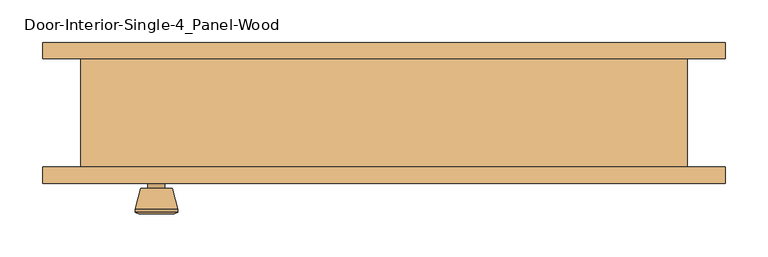
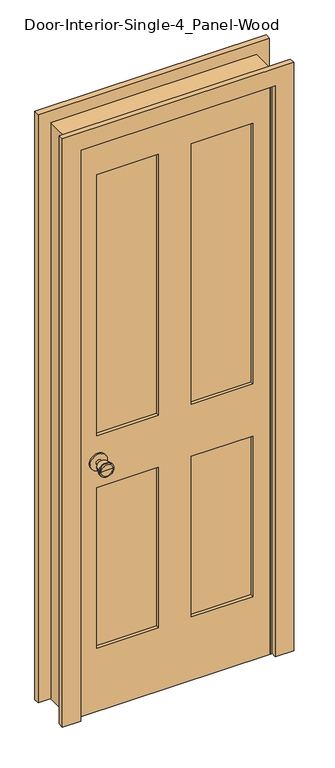
"""IFC4 building model written with IfcOpenShell, lengths in millimetres: door geometry, Door-Interior-Single-4_Panel-Wood."""

from ifc_helpers import new_model, si_unit, point, frame, frame_2d, origin, place, context, project, spatial, polyline, circle_curve, trimmed, segment, composite_curve, outline, extrude, faceted_brep, source, transform, mapped, element, save
from ifc_brep_helpers import plane_surface, cylinder_surface, revolved_surface, advanced_brep


def door_interior_single_4_panel_wood_b6754468(model_context):
    return source(origin(), model_context, "Body", "SolidModel", [
        advanced_brep(
        [(-266.7, -19.4, 914.4), (-276.7, -19.4, 914.4), (-256.7, -19.4, 914.4), (-246.2241324, 29.6, 914.4), (-287.1758676, 29.6, 914.4), (-266.7, 29.6, 914.4), (-241.7, 27.7721319, 914.4), (-291.7, 27.7721319, 914.4), (-241.7, 24.3084537, 914.4), (-291.7, 24.3084537, 914.4), (-248.063764, -0.4, 914.4), (-285.336236, -0.4, 914.4), (-256.7, -0.4, 914.4), (-276.7, -0.4, 914.4)],
        [
            (0, 1),
            (1, 2, circle_curve(frame((-266.7, -19.4, 914.4), z_axis=(0.0, -1.0, 0.0), x_axis=(-1.0, 0.0, 0.0)), 10.0)),
            (2, 0),
            (2, 1, circle_curve(frame((-266.7, -19.4, 914.4), z_axis=(0.0, -1.0, 0.0), x_axis=(-1.0, 0.0, 0.0)), 10.0)),
            (3, 4, circle_curve(frame((-266.7, 29.6, 914.4), z_axis=(0.0, 1.0, 0.0), x_axis=(-1.0, 0.0, 0.0)), 20.4758676)),
            (4, 5),
            (5, 3),
            (4, 3, circle_curve(frame((-266.7, 29.6, 914.4), z_axis=(0.0, 1.0, 0.0), x_axis=(-1.0, 0.0, 0.0)), 20.4758676)),
            (6, 7, circle_curve(frame((-266.7, 27.7721319, 914.4), z_axis=(0.0, 1.0, 0.0), x_axis=(-1.0, 0.0, 0.0)), 25.0)),
            (7, 4),
            (3, 6),
            (7, 6, circle_curve(frame((-266.7, 27.7721319, 914.4), z_axis=(0.0, 1.0, 0.0), x_axis=(-1.0, 0.0, 0.0)), 25.0)),
            (8, 9, circle_curve(frame((-266.7, 24.3084537, 914.4), z_axis=(0.0, 1.0, 0.0), x_axis=(-1.0, 0.0, 0.0)), 25.0)),
            (9, 7),
            (6, 8),
            (9, 8, circle_curve(frame((-266.7, 24.3084537, 914.4), z_axis=(0.0, 1.0, 0.0), x_axis=(-1.0, 0.0, 0.0)), 25.0)),
            (10, 11, circle_curve(frame((-266.7, -0.4, 914.4), z_axis=(0.0, 1.0, 0.0), x_axis=(-1.0, 0.0, 0.0)), 18.636236)),
            (11, 9),
            (8, 10),
            (11, 10, circle_curve(frame((-266.7, -0.4, 914.4), z_axis=(0.0, 1.0, 0.0), x_axis=(-1.0, 0.0, 0.0)), 18.636236)),
            (12, 13, circle_curve(frame((-266.7, -0.4, 914.4), z_axis=(0.0, 1.0, 0.0), x_axis=(-1.0, 0.0, 0.0)), 10.0)),
            (13, 11),
            (10, 12),
            (13, 12, circle_curve(frame((-266.7, -0.4, 914.4), z_axis=(0.0, 1.0, 0.0), x_axis=(-1.0, 0.0, 0.0)), 10.0)),
            (1, 13),
            (12, 2),
        ],
        [
            plane_surface(frame((-266.7, -19.4, 914.4), z_axis=(0.0, -1.0, 0.0), x_axis=(-1.0, 0.0, 0.0))),
            plane_surface(frame((-266.7, 29.6, 914.4), z_axis=(0.0, 1.0, 0.0), x_axis=(-1.0, 0.0, 0.0))),
            revolved_surface(polyline([(-287.1758676, 29.6, 914.4), (-291.7, 27.7721319, 914.4)]), (-266.7, -19.4, 914.4), (0.0, -1.0, 0.0)),
            cylinder_surface(frame((-266.7, -19.4, 914.4), z_axis=(0.0, -1.0, 0.0), x_axis=(-1.0, 0.0, 0.0)), 25.0),
            revolved_surface(polyline([(-291.7, 24.3084537, 914.4), (-285.336236, -0.4, 914.4)]), (-266.7, -19.4, 914.4), (0.0, -1.0, 0.0)),
            plane_surface(frame((-266.7, -0.4, 914.4), z_axis=(0.0, -1.0, 0.0), x_axis=(-1.0, 0.0, 0.0))),
            cylinder_surface(frame((-266.7, -19.4, 914.4), z_axis=(0.0, -1.0, 0.0), x_axis=(-1.0, 0.0, 0.0)), 10.0),
        ],
        [
            (0, [[1, 2, 3]]),
            (0, [[-3, 4, -1]]),
            (1, [[5, 6, 7]]),
            (1, [[8, -7, -6]]),
            (2, [[9, 10, -5, 11]]),
            (2, [[12, -11, -8, -10]]),
            (3, [[13, 14, -9, 15]]),
            (3, [[16, -15, -12, -14]]),
            (4, [[17, 18, -13, 19]]),
            (4, [[20, -19, -16, -18]]),
            (5, [[21, 22, -17, 23]]),
            (5, [[24, -23, -20, -22]]),
            (6, [[-2, 25, -21, 26]]),
            (6, [[-4, -26, -24, -25]]),
        ],
    ),
        extrude(outline(composite_curve([segment(trimmed(circle_curve(frame_2d((914.4, -266.7)), 30.0), [point((914.4, -296.7))], [point((914.4, -236.7))], False, "CARTESIAN"), True, "CONTINUOUS"), segment(trimmed(circle_curve(frame_2d((914.4, -266.7)), 30.0), [point((914.4, -236.7))], [point((914.4, -296.7))], False, "CARTESIAN"), True, "CONTINUOUS")], self_intersect=False)), frame((0.0, -25.4, 0.0), z_axis=(0.0, 1.0, 0.0), x_axis=(0.0, 0.0, 1.0)), (0.0, 0.0, 1.0), 6.0),
        advanced_brep(
        [(-266.7, -66.325, 914.4), (-256.7, -66.325, 914.4), (-276.7, -66.325, 914.4), (-246.2241324, -115.325, 914.4), (-266.7, -115.325, 914.4), (-287.1758676, -115.325, 914.4), (-241.7, -113.4971319, 914.4), (-291.7, -113.4971319, 914.4), (-241.7, -110.0334537, 914.4), (-291.7, -110.0334537, 914.4), (-248.063764, -85.325, 914.4), (-285.336236, -85.325, 914.4), (-256.7, -85.325, 914.4), (-276.7, -85.325, 914.4)],
        [
            (0, 1),
            (1, 2, circle_curve(frame((-266.7, -66.325, 914.4), z_axis=(0.0, 1.0, 0.0), x_axis=(-1.0, 0.0, 0.0)), 10.0)),
            (2, 0),
            (2, 1, circle_curve(frame((-266.7, -66.325, 914.4), z_axis=(0.0, 1.0, 0.0), x_axis=(-1.0, 0.0, 0.0)), 10.0)),
            (3, 4),
            (4, 5),
            (5, 3, circle_curve(frame((-266.7, -115.325, 914.4), z_axis=(0.0, -1.0, 0.0), x_axis=(-1.0, 0.0, 0.0)), 20.4758676)),
            (3, 5, circle_curve(frame((-266.7, -115.325, 914.4), z_axis=(0.0, -1.0, 0.0), x_axis=(-1.0, 0.0, 0.0)), 20.4758676)),
            (6, 3),
            (5, 7),
            (7, 6, circle_curve(frame((-266.7, -113.4971319, 914.4), z_axis=(0.0, -1.0, 0.0), x_axis=(-1.0, 0.0, 0.0)), 25.0)),
            (6, 7, circle_curve(frame((-266.7, -113.4971319, 914.4), z_axis=(0.0, -1.0, 0.0), x_axis=(-1.0, 0.0, 0.0)), 25.0)),
            (8, 6),
            (7, 9),
            (9, 8, circle_curve(frame((-266.7, -110.0334537, 914.4), z_axis=(0.0, -1.0, 0.0), x_axis=(-1.0, 0.0, 0.0)), 25.0)),
            (8, 9, circle_curve(frame((-266.7, -110.0334537, 914.4), z_axis=(0.0, -1.0, 0.0), x_axis=(-1.0, 0.0, 0.0)), 25.0)),
            (10, 8),
            (9, 11),
            (11, 10, circle_curve(frame((-266.7, -85.325, 914.4), z_axis=(0.0, -1.0, 0.0), x_axis=(-1.0, 0.0, 0.0)), 18.636236)),
            (10, 11, circle_curve(frame((-266.7, -85.325, 914.4), z_axis=(0.0, -1.0, 0.0), x_axis=(-1.0, 0.0, 0.0)), 18.636236)),
            (12, 10),
            (11, 13),
            (13, 12, circle_curve(frame((-266.7, -85.325, 914.4), z_axis=(0.0, -1.0, 0.0), x_axis=(-1.0, 0.0, 0.0)), 10.0)),
            (12, 13, circle_curve(frame((-266.7, -85.325, 914.4), z_axis=(0.0, -1.0, 0.0), x_axis=(-1.0, 0.0, 0.0)), 10.0)),
            (1, 12),
            (13, 2),
        ],
        [
            plane_surface(frame((-266.7, -66.325, 914.4), z_axis=(0.0, 1.0, 0.0), x_axis=(-1.0, 0.0, 0.0))),
            plane_surface(frame((-266.7, -115.325, 914.4), z_axis=(0.0, -1.0, 0.0), x_axis=(-1.0, 0.0, 0.0))),
            revolved_surface(polyline([(-287.1758676, -115.325, 914.4), (-291.7, -113.4971319, 914.4)]), (-266.7, -66.325, 914.4), (0.0, 1.0, 0.0)),
            cylinder_surface(frame((-266.7, -66.325, 914.4), z_axis=(0.0, 1.0, 0.0), x_axis=(-1.0, 0.0, 0.0)), 25.0),
            revolved_surface(polyline([(-291.7, -110.0334537, 914.4), (-285.336236, -85.325, 914.4)]), (-266.7, -66.325, 914.4), (0.0, 1.0, 0.0)),
            plane_surface(frame((-266.7, -85.325, 914.4), z_axis=(0.0, 1.0, 0.0), x_axis=(-1.0, 0.0, 0.0))),
            cylinder_surface(frame((-266.7, -66.325, 914.4), z_axis=(0.0, 1.0, 0.0), x_axis=(-1.0, 0.0, 0.0)), 10.0),
        ],
        [
            (0, [[1, 2, 3]]),
            (0, [[-3, 4, -1]]),
            (1, [[5, 6, 7]]),
            (1, [[-6, -5, 8]]),
            (2, [[9, -7, 10, 11]]),
            (2, [[-10, -8, -9, 12]]),
            (3, [[13, -11, 14, 15]]),
            (3, [[-14, -12, -13, 16]]),
            (4, [[17, -15, 18, 19]]),
            (4, [[-18, -16, -17, 20]]),
            (5, [[21, -19, 22, 23]]),
            (5, [[-22, -20, -21, 24]]),
            (6, [[25, -23, 26, -2]]),
            (6, [[-26, -24, -25, -4]]),
        ],
    ),
        extrude(outline(composite_curve([segment(trimmed(circle_curve(frame_2d((914.4, -266.7)), 30.0), [point((914.4, -296.7))], [point((914.4, -236.7))], False, "CARTESIAN"), True, "CONTINUOUS"), segment(trimmed(circle_curve(frame_2d((914.4, -266.7)), 30.0), [point((914.4, -236.7))], [point((914.4, -296.7))], False, "CARTESIAN"), True, "CONTINUOUS")], self_intersect=False)), frame((0.0, -66.325, 0.0), z_axis=(0.0, 1.0, 0.0), x_axis=(0.0, 0.0, 1.0)), (0.0, 0.0, 1.0), 6.0),
        faceted_brep([(355.6, -60.325, 0.0), (330.2, -60.325, 0.0), (330.2, -25.4, 0.0), (317.5, -25.4, 0.0), (317.5, 9.525, 0.0), (330.2, 9.525, 0.0), (330.2, 66.675, 0.0), (355.6, 66.675, 0.0), (355.6, 66.675, 2108.2), (355.6, -60.325, 2108.2), (330.2, 66.675, 2082.8), (-330.2, 66.675, 2082.8), (-330.2, 66.675, 0.0), (-355.6, 66.675, 0.0), (-355.6, 66.675, 2108.2), (330.2, 9.525, 2082.8), (317.5, 9.525, 2070.1), (-317.5, 9.525, 2070.1), (-317.5, 9.525, 0.0), (-330.2, 9.525, 0.0), (-330.2, 9.525, 2082.8), (317.5, -25.4, 2070.1), (330.2, -25.4, 2082.8), (-330.2, -25.4, 2082.8), (-330.2, -25.4, 0.0), (-317.5, -25.4, 0.0), (-317.5, -25.4, 2070.1), (330.2, -60.325, 2082.8), (-355.6, -60.325, 2108.2), (-355.6, -60.325, 0.0), (-330.2, -60.325, 0.0), (-330.2, -60.325, 2082.8)], [[[0, 1, 2, 3, 4, 5, 6, 7]], [[7, 8, 9, 0]], [[6, 10, 11, 12, 13, 14, 8, 7]], [[5, 15, 10, 6]], [[4, 16, 17, 18, 19, 20, 15, 5]], [[3, 21, 16, 4]], [[2, 22, 23, 24, 25, 26, 21, 3]], [[1, 27, 22, 2]], [[0, 9, 28, 29, 30, 31, 27, 1]], [[8, 14, 28, 9]], [[15, 20, 11, 10]], [[21, 26, 17, 16]], [[27, 31, 23, 22]], [[29, 13, 12, 19, 18, 25, 24, 30]], [[14, 13, 29, 28]], [[20, 19, 12, 11]], [[26, 25, 18, 17]], [[31, 30, 24, 23]]]),
        extrude(outline(polyline([(2082.8, -330.2), (0.0, -330.2), (0.0, 330.2), (2082.8, 330.2), (2082.8, -330.2)]), holes=[polyline([(1963.7375, 57.15), (1963.7375, 269.875), (1009.65, 269.875), (1009.65, 57.15), (1963.7375, 57.15)]), polyline([(1009.65, -57.15), (1009.65, -269.875), (1963.7375, -269.875), (1963.7375, -57.15), (1009.65, -57.15)]), polyline([(819.15, 57.15), (819.15, 269.875), (231.775, 269.875), (231.775, 57.15), (819.15, 57.15)]), polyline([(231.775, -57.15), (231.775, -269.875), (819.15, -269.875), (819.15, -57.15), (231.775, -57.15)])]), frame((0.0, -60.325, 0.0), z_axis=(0.0, 1.0, 0.0), x_axis=(0.0, 0.0, 1.0)), (0.0, 0.0, 1.0), 34.925),
        extrude(outline(polyline([(269.875, -37.0416667), (269.875, -48.6833333), (57.15, -48.6833333), (57.15, -37.0416667), (269.875, -37.0416667)])), frame((0.0, 0.0, 1009.65), z_axis=(0.0, 0.0, 1.0), x_axis=(1.0, 0.0, 0.0)), (0.0, 0.0, 1.0), 954.0875),
        extrude(outline(polyline([(-57.15, -37.0416667), (-57.15, -48.6833333), (-269.875, -48.6833333), (-269.875, -37.0416667), (-57.15, -37.0416667)])), frame((0.0, 0.0, 1009.65), z_axis=(0.0, 0.0, 1.0), x_axis=(1.0, 0.0, 0.0)), (0.0, 0.0, 1.0), 954.0875),
        extrude(outline(polyline([(269.875, -37.0416667), (269.875, -48.6833333), (57.15, -48.6833333), (57.15, -37.0416667), (269.875, -37.0416667)])), frame((0.0, 0.0, 231.775), z_axis=(0.0, 0.0, 1.0), x_axis=(1.0, 0.0, 0.0)), (0.0, 0.0, 1.0), 587.375),
        extrude(outline(polyline([(-57.15, -37.0416667), (-57.15, -48.6833333), (-269.875, -48.6833333), (-269.875, -37.0416667), (-57.15, -37.0416667)])), frame((0.0, 0.0, 231.775), z_axis=(0.0, 0.0, 1.0), x_axis=(1.0, 0.0, 0.0)), (0.0, 0.0, 1.0), 587.375),
        extrude(outline(polyline([(0.0, 400.05), (2152.65, 400.05), (2152.65, -400.05), (0.0, -400.05), (0.0, -336.55), (2089.15, -336.55), (2089.15, 336.55), (0.0, 336.55), (0.0, 400.05)])), frame((0.0, -79.375, 0.0), z_axis=(0.0, 1.0, 0.0), x_axis=(0.0, 0.0, 1.0)), (0.0, 0.0, 1.0), 19.05),
        extrude(outline(polyline([(0.0, 400.05), (2152.65, 400.05), (2152.65, -400.05), (0.0, -400.05), (0.0, -336.55), (2089.15, -336.55), (2089.15, 336.55), (0.0, 336.55), (0.0, 400.05)])), frame((0.0, 66.675, 0.0), z_axis=(0.0, 1.0, 0.0), x_axis=(0.0, 0.0, 1.0)), (0.0, 0.0, 1.0), 19.05),
    ])


if __name__ == "__main__":
    model = new_model("IFC4")
    model_context = context("Model", 3, world=origin())
    ifc_project = project(units=[si_unit("LENGTHUNIT", "METRE", prefix="MILLI")], contexts=[model_context])
    site = spatial("IfcSite", under=ifc_project)
    building = spatial("IfcBuilding", under=site)
    placement = place(None, origin())
    door_interior_single_4_panel_wood_shape = door_interior_single_4_panel_wood_b6754468(model_context)
    element("IfcDoor", 1, ObjectType="Door-Interior-Single-4_Panel-Wood", at=placement, inside=building, context=model_context, shape_type="MappedRepresentation", body=[
        mapped(door_interior_single_4_panel_wood_shape, transform((0.0, 0.0, 0.0), x_axis=(1.0, 0.0, 0.0), y_axis=(0.0, 1.0, 0.0), z_axis=(0.0, 0.0, 1.0))),
    ])
    save(model, "model.ifc")
